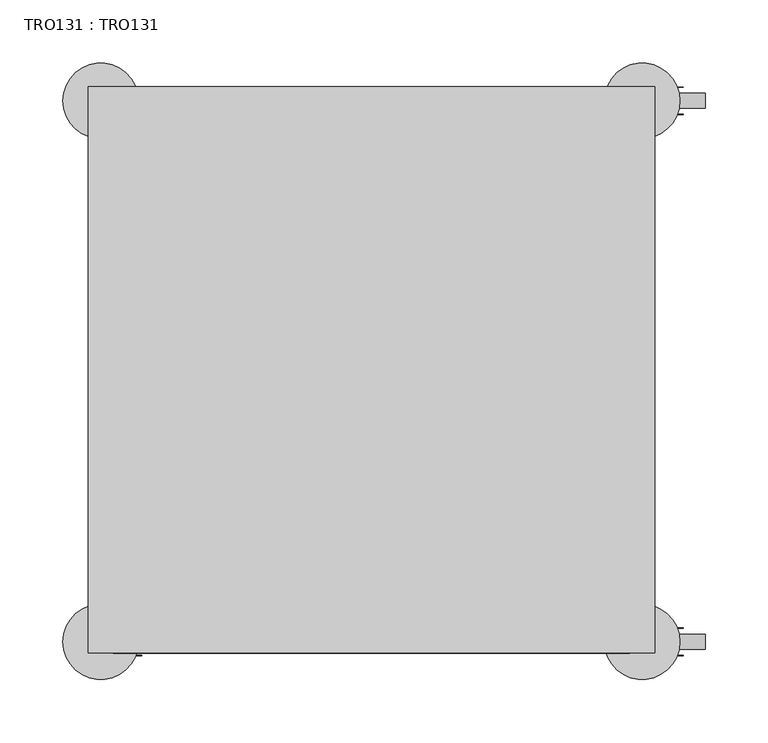
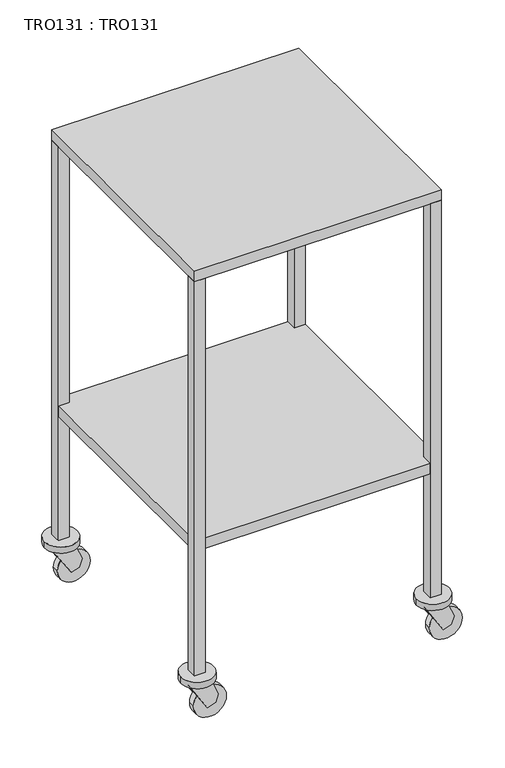
"""IFC4 building model written with IfcOpenShell, lengths in millimetres: proxy geometry, TRO131 : TRO131."""

import ifcopenshell
import ifcopenshell.guid

model = None  # the IFC model being written
_history = None  # IfcOwnerHistory: only IFC2X3 demands one
_inside = {}  # id of a spatial element -> (the spatial element, [elements in it])
_under = {}  # id of a project, library or spatial element -> (it, [spatial elements below it])
_declared = {}  # id of a project -> (the project, [libraries it declares])
_typed = {}  # id of a type object -> (the type object, [elements of that type])
_made_of = {}  # id of a material, layer set ... -> (it, [elements and type objects made of it])


def new_model(schema):
    """Start an empty IFC model of exactly this schema.

    Asked for "IFC4X3", IfcOpenShell would pick the latest addendum, in which some entities
    have other attributes; the version numbers below select the first issue.
    IFC2X3 requires an IfcOwnerHistory on every rooted entity: one is made here for all.
    """
    global model, _history
    if schema == "IFC4X3":
        model = ifcopenshell.file(schema_version=(4, 3, 0, 0))
    else:
        model = ifcopenshell.file(schema=schema)
    _inside.clear()
    _under.clear()
    _declared.clear()
    _typed.clear()
    _made_of.clear()
    _history = None
    if model.schema == "IFC2X3":
        org = make("IfcOrganization", Name="unknown")
        user = make(
            "IfcPersonAndOrganization",
            ThePerson=make("IfcPerson", FamilyName="unknown"),
            TheOrganization=org,
        )
        app = make(
            "IfcApplication",
            ApplicationDeveloper=org,
            Version="unknown",
            ApplicationFullName="unknown",
            ApplicationIdentifier="unknown",
        )
        _history = make(
            "IfcOwnerHistory",
            OwningUser=user,
            OwningApplication=app,
            ChangeAction="ADDED",
            CreationDate=0,
        )
    return model


def make(cls, **values):
    """One entity of the class cls with the attributes given. An attribute that is None is left unset."""
    return model.create_entity(
        cls, **{name: value for name, value in values.items() if value is not None}
    )


def rooted(cls, **values):
    """An entity with a GlobalId (a new one), such as an element, a storey or a relation."""
    return make(cls, GlobalId=ifcopenshell.guid.new(), OwnerHistory=_history, **values)


def si_unit(unit_type, name, prefix=None):
    """IfcSIUnit, for example si_unit("LENGTHUNIT", "METRE", prefix="MILLI")."""
    return make("IfcSIUnit", UnitType=unit_type, Prefix=prefix, Name=name)


def assignment(units):
    """IfcUnitAssignment: the units of a project."""
    return None if units is None else make("IfcUnitAssignment", Units=units)


def point(xyz):
    """IfcCartesianPoint."""
    return None if xyz is None else make("IfcCartesianPoint", Coordinates=xyz)


def direction(xyz):
    """IfcDirection."""
    return None if xyz is None else make("IfcDirection", DirectionRatios=xyz)


def frame(location, z_axis=None, x_axis=None):
    """IfcAxis2Placement3D, a coordinate frame: its origin and axes. An axis left out is left unset."""
    return make(
        "IfcAxis2Placement3D",
        Location=point(location),
        Axis=direction(z_axis),
        RefDirection=direction(x_axis),
    )


def frame_2d(location, x_axis=None):
    """IfcAxis2Placement2D, a coordinate frame in the plane: its origin and x axis."""
    return make(
        "IfcAxis2Placement2D", Location=point(location), RefDirection=direction(x_axis)
    )


def origin():
    """The frame at (0, 0, 0) with its axes left unset."""
    return frame((0.0, 0.0, 0.0))


def place(relative_to, where):
    """IfcLocalPlacement: puts the frame where relative to a parent placement (None: the world)."""
    return make(
        "IfcLocalPlacement", PlacementRelTo=relative_to, RelativePlacement=where
    )


def context(
    kind, dimensions, precision=None, world=None, true_north=None, identifier=None
):
    """IfcGeometricRepresentationContext, for example the 3D "Model" context."""
    return make(
        "IfcGeometricRepresentationContext",
        ContextIdentifier=identifier,
        ContextType=kind,
        CoordinateSpaceDimension=dimensions,
        Precision=precision,
        WorldCoordinateSystem=world,
        TrueNorth=true_north,
    )


def project(units=None, contexts=None):
    """IfcProject with its units and contexts."""
    return rooted(
        "IfcProject",
        Name="project",
        RepresentationContexts=contexts,
        UnitsInContext=assignment(units),
    )


def spatial(cls, under=None, at=None, **own):
    """A site, building, storey or space (cls), placed at a placement, below another one or the project."""
    s = rooted(cls, ObjectPlacement=at, **own)
    if under is not None:
        _under.setdefault(under.id(), (under, []))[1].append(s)
    return s


def polyline(points):
    """IfcPolyline through the points."""
    return make("IfcPolyline", Points=[point(p) for p in points])


def circle_curve(where, radius):
    """IfcCircle in the frame where."""
    return make("IfcCircle", Position=where, Radius=radius)


def trimmed(basis, trim1, trim2, sense, master):
    """IfcTrimmedCurve: the piece of a basis curve between two trims."""
    return make(
        "IfcTrimmedCurve",
        BasisCurve=basis,
        Trim1=trim1,
        Trim2=trim2,
        SenseAgreement=sense,
        MasterRepresentation=master,
    )


def segment(curve, same_sense, transition):
    """IfcCompositeCurveSegment."""
    return make(
        "IfcCompositeCurveSegment",
        Transition=transition,
        SameSense=same_sense,
        ParentCurve=curve,
    )


def composite_curve(segments, self_intersect=None):
    """IfcCompositeCurve: segments joined end to end."""
    return make("IfcCompositeCurve", Segments=segments, SelfIntersect=self_intersect)


def outline(outer, holes=None, kind="AREA"):
    """IfcArbitraryClosedProfileDef: a profile drawn as a closed curve; with holes, ...WithVoids."""
    if holes is None:
        return make("IfcArbitraryClosedProfileDef", ProfileType=kind, OuterCurve=outer)
    return make(
        "IfcArbitraryProfileDefWithVoids",
        ProfileType=kind,
        OuterCurve=outer,
        InnerCurves=holes,
    )


def extrude(swept, where, along, depth):
    """IfcExtrudedAreaSolid: the profile swept, set in the frame where, extruded along a direction by depth."""
    return make(
        "IfcExtrudedAreaSolid",
        SweptArea=swept,
        Position=where,
        ExtrudedDirection=direction(along),
        Depth=depth,
    )


def shape(context_of_items, identifier, shape_type, items):
    """IfcShapeRepresentation: the items that make up one representation, for example the "Body"."""
    return make(
        "IfcShapeRepresentation",
        ContextOfItems=context_of_items,
        RepresentationIdentifier=identifier,
        RepresentationType=shape_type,
        Items=items,
    )


def source(mapping_origin, context_of_items, identifier, shape_type, items):
    """IfcRepresentationMap: a shape defined once, which mapped items show again and again."""
    return make(
        "IfcRepresentationMap",
        MappingOrigin=mapping_origin,
        MappedRepresentation=shape(context_of_items, identifier, shape_type, items),
    )


def transform(
    local_origin,
    x_axis=None,
    y_axis=None,
    z_axis=None,
    scale=None,
    scale2=None,
    scale3=None,
    uniform=True,
):
    """IfcCartesianTransformationOperator3D, or its non-uniform kind. x_axis, y_axis, z_axis: its Axis1, 2, 3."""
    if uniform:
        return make(
            "IfcCartesianTransformationOperator3D",
            Axis1=direction(x_axis),
            Axis2=direction(y_axis),
            LocalOrigin=point(local_origin),
            Scale=scale,
            Axis3=direction(z_axis),
        )
    return make(
        "IfcCartesianTransformationOperator3DnonUniform",
        Axis1=direction(x_axis),
        Axis2=direction(y_axis),
        LocalOrigin=point(local_origin),
        Scale=scale,
        Axis3=direction(z_axis),
        Scale2=scale2,
        Scale3=scale3,
    )


def mapped(mapping_source, mapping_target):
    """IfcMappedItem: shows the shape of a source again, moved by a transform."""
    return make(
        "IfcMappedItem", MappingSource=mapping_source, MappingTarget=mapping_target
    )


def made_of(thing, what):
    """Note that an element or type object is made of a material, layer set ...; save() writes the relation."""
    if what is not None:
        _made_of.setdefault(what.id(), (what, []))[1].append(thing)
    return thing


def element(
    cls,
    number,
    at=None,
    inside=None,
    cuts=None,
    type_object=None,
    material=None,
    context=None,
    identifier="Body",
    shape_type=None,
    held_by="IfcProductDefinitionShape",
    body=None,
    shapes=None,
    **own,
):
    """One element of the class cls, such as IfcWall. Its Tag is "e" and its number.

    at: its placement. inside: the storey or other place that contains it. cuts: it is an
    opening in that element (IfcRelVoidsElement). A single representation is given by context,
    identifier, shape_type and body (its items); several are given by shapes. held_by: the class
    of the entity that holds the representations. save() writes the other relations.
    """
    e = rooted(cls, Tag="e%d" % number, ObjectPlacement=at, **own)
    if body is not None:
        shapes = [shape(context, identifier, shape_type, body)]
    if shapes is not None:
        e.Representation = make(held_by, Representations=shapes)
    if inside is not None:
        _inside.setdefault(inside.id(), (inside, []))[1].append(e)
    if cuts is not None:
        rooted(
            "IfcRelVoidsElement", RelatingBuildingElement=cuts, RelatedOpeningElement=e
        )
    if type_object is not None:
        _typed.setdefault(type_object.id(), (type_object, []))[1].append(e)
    return made_of(e, material)


def aggregate(whole, parts):
    """IfcRelAggregates: a whole, such as a stair, and the parts it consists of."""
    return rooted("IfcRelAggregates", RelatingObject=whole, RelatedObjects=parts)


def save(model, path):
    """Write the relations noted so far, then the file.

    IfcRelAggregates (storeys below a building ...), IfcRelContainedInSpatialStructure (elements
    in a storey), IfcRelDefinesByType, IfcRelAssociatesMaterial and IfcRelDeclares: one each for
    every whole, place, type object, material and project.
    """
    for whole, parts in _under.values():
        aggregate(whole, parts)
    for where, things in _inside.values():
        rooted(
            "IfcRelContainedInSpatialStructure",
            RelatedElements=things,
            RelatingStructure=where,
        )
    for kind, things in _typed.values():
        rooted("IfcRelDefinesByType", RelatedObjects=things, RelatingType=kind)
    for what, things in _made_of.values():
        rooted("IfcRelAssociatesMaterial", RelatedObjects=things, RelatingMaterial=what)
    for by, libraries in _declared.values():
        rooted("IfcRelDeclares", RelatingContext=by, RelatedDefinitions=libraries)
    model.write(path)


def tro131_tro131_ddedde76(model_context):
    return source(origin(), model_context, "Body", "SweptSolid", [
        extrude(outline(polyline([(52.5000022, -12.5000006), (-2.5000001, 22.5000002), (2.5000001, 37.4999998), (17.5000004, 42.499999), (52.5000022, 27.4999993), (52.5000022, -12.5000006)])), frame((0.0, -451.9999904, 0.0), z_axis=(0.0, 1.0, 0.0), x_axis=(0.0, 0.0, 1.0)), (0.0, 0.0, 1.0), 0.2607709),
        extrude(outline(polyline([(2.5000001, 467.4999886), (17.5000004, 472.5000104), (52.5000022, 457.5000176), (52.5000022, 417.4999882), (-2.5000001, 452.4999957), (2.5000001, 467.4999886)])), frame((0.0, -451.9999904, 0.0), z_axis=(0.0, 1.0, 0.0), x_axis=(0.0, 0.0, 1.0)), (0.0, 0.0, 1.0), 0.2607709),
        extrude(outline(polyline([(52.5000022, -12.5000006), (-2.5000001, 22.5000002), (2.5000001, 37.4999998), (17.5000004, 42.499999), (52.5000022, 27.4999993), (52.5000022, -12.5000006)])), frame((0.0, -430.2616788, 0.0), z_axis=(0.0, 1.0, 0.0), x_axis=(0.0, 0.0, 1.0)), (0.0, 0.0, 1.0), 0.2607709),
        extrude(outline(polyline([(2.5000001, 467.4999886), (17.5000004, 472.5000104), (52.5000022, 457.5000176), (52.5000022, 417.4999882), (-2.5000001, 452.4999957), (2.5000001, 467.4999886)])), frame((0.0, -430.2616788, 0.0), z_axis=(0.0, 1.0, 0.0), x_axis=(0.0, 0.0, 1.0)), (0.0, 0.0, 1.0), 0.2607709),
        extrude(outline(polyline([(52.5000022, -12.5000006), (-2.5000001, 22.5000002), (2.5000001, 37.4999998), (17.5000004, 42.499999), (52.5000022, 27.4999993), (52.5000022, -12.5000006)])), frame((0.0, -21.8954784, 0.0), z_axis=(0.0, 1.0, 0.0), x_axis=(0.0, 0.0, 1.0)), (0.0, 0.0, 1.0), 0.2607709),
        extrude(outline(polyline([(2.5000001, 467.4999886), (17.5000004, 472.5000104), (52.5000022, 457.5000176), (52.5000022, 417.4999882), (-2.5000001, 452.4999957), (2.5000001, 467.4999886)])), frame((0.0, -21.8954784, 0.0), z_axis=(0.0, 1.0, 0.0), x_axis=(0.0, 0.0, 1.0)), (0.0, 0.0, 1.0), 0.2607709),
        extrude(outline(polyline([(52.5000022, -12.5000006), (-2.5000001, 22.5000002), (2.5000001, 37.4999998), (17.5000004, 42.499999), (52.5000022, 27.4999993), (52.5000022, -12.5000006)])), frame((0.0, -0.2607709, 0.0), z_axis=(0.0, 1.0, 0.0), x_axis=(0.0, 0.0, 1.0)), (0.0, 0.0, 1.0), 0.2607709),
        extrude(outline(polyline([(2.5000001, 467.4999886), (17.5000004, 472.5000104), (52.5000022, 457.5000176), (52.5000022, 417.4999882), (-2.5000001, 452.4999957), (2.5000001, 467.4999886)])), frame((0.0, -0.2607709, 0.0), z_axis=(0.0, 1.0, 0.0), x_axis=(0.0, 0.0, 1.0)), (0.0, 0.0, 1.0), 0.2607709),
        extrude(outline(composite_curve([segment(trimmed(circle_curve(frame_2d((5.0, 30.0)), 30.0), [point((5.0, 0.0))], [point((5.0, 60.0))], False, "CARTESIAN"), True, "CONTINUOUS"), segment(trimmed(circle_curve(frame_2d((5.0, 30.0)), 30.0), [point((5.0, 60.0))], [point((5.0, 0.0))], False, "CARTESIAN"), True, "CONTINUOUS")], self_intersect=False)), frame((0.0, -447.0943374, 0.0), z_axis=(0.0, 1.0, 0.0), x_axis=(0.0, 0.0, 1.0)), (0.0, 0.0, 1.0), 12.1064652),
        extrude(outline(composite_curve([segment(trimmed(circle_curve(frame_2d((5.0, 459.9999922)), 30.0), [point((5.0, 429.9999922))], [point((5.0, 489.9999922))], False, "CARTESIAN"), True, "CONTINUOUS"), segment(trimmed(circle_curve(frame_2d((5.0, 459.9999922)), 30.0), [point((5.0, 489.9999922))], [point((5.0, 429.9999922))], False, "CARTESIAN"), True, "CONTINUOUS")], self_intersect=False)), frame((0.0, -447.0943374, 0.0), z_axis=(0.0, 1.0, 0.0), x_axis=(0.0, 0.0, 1.0)), (0.0, 0.0, 1.0), 12.1064652),
        extrude(outline(composite_curve([segment(trimmed(circle_curve(frame_2d((5.0, 30.0)), 30.0), [point((5.0, 0.0))], [point((5.0, 60.0))], False, "CARTESIAN"), True, "CONTINUOUS"), segment(trimmed(circle_curve(frame_2d((5.0, 30.0)), 30.0), [point((5.0, 60.0))], [point((5.0, 0.0))], False, "CARTESIAN"), True, "CONTINUOUS")], self_intersect=False)), frame((0.0, -16.9985238, 0.0), z_axis=(0.0, 1.0, 0.0), x_axis=(0.0, 0.0, 1.0)), (0.0, 0.0, 1.0), 11.9608724),
        extrude(outline(composite_curve([segment(trimmed(circle_curve(frame_2d((5.0, 459.9999922)), 30.0), [point((5.0, 429.9999922))], [point((5.0, 489.9999922))], False, "CARTESIAN"), True, "CONTINUOUS"), segment(trimmed(circle_curve(frame_2d((5.0, 459.9999922)), 30.0), [point((5.0, 489.9999922))], [point((5.0, 429.9999922))], False, "CARTESIAN"), True, "CONTINUOUS")], self_intersect=False)), frame((0.0, -16.9985238, 0.0), z_axis=(0.0, 1.0, 0.0), x_axis=(0.0, 0.0, 1.0)), (0.0, 0.0, 1.0), 11.9608724),
        extrude(outline(composite_curve([segment(trimmed(circle_curve(frame_2d((439.9999995, -441.0)), 30.0), [point((409.9999995, -441.0))], [point((469.9999995, -441.0))], False, "CARTESIAN"), True, "CONTINUOUS"), segment(trimmed(circle_curve(frame_2d((439.9999995, -441.0)), 30.0), [point((469.9999995, -441.0))], [point((409.9999995, -441.0))], False, "CARTESIAN"), True, "CONTINUOUS")], self_intersect=False)), frame((0.0, 0.0, 53.0), z_axis=(0.0, 0.0, 1.0), x_axis=(1.0, 0.0, 0.0)), (0.0, 0.0, 1.0), 12.0),
        extrude(outline(composite_curve([segment(trimmed(circle_curve(frame_2d((9.9999995, -441.0)), 30.0), [point((-20.0000005, -441.0))], [point((39.9999995, -441.0))], False, "CARTESIAN"), True, "CONTINUOUS"), segment(trimmed(circle_curve(frame_2d((9.9999995, -441.0)), 30.0), [point((39.9999995, -441.0))], [point((-20.0000005, -441.0))], False, "CARTESIAN"), True, "CONTINUOUS")], self_intersect=False)), frame((0.0, 0.0, 53.0), z_axis=(0.0, 0.0, 1.0), x_axis=(1.0, 0.0, 0.0)), (0.0, 0.0, 1.0), 12.0),
        extrude(outline(composite_curve([segment(trimmed(circle_curve(frame_2d((9.9999995, -11.0)), 30.0), [point((-20.0000005, -11.0))], [point((39.9999995, -11.0))], False, "CARTESIAN"), True, "CONTINUOUS"), segment(trimmed(circle_curve(frame_2d((9.9999995, -11.0)), 30.0), [point((39.9999995, -11.0))], [point((-20.0000005, -11.0))], False, "CARTESIAN"), True, "CONTINUOUS")], self_intersect=False)), frame((0.0, 0.0, 53.0), z_axis=(0.0, 0.0, 1.0), x_axis=(1.0, 0.0, 0.0)), (0.0, 0.0, 1.0), 12.0),
        extrude(outline(composite_curve([segment(trimmed(circle_curve(frame_2d((439.9999995, -11.0)), 30.0), [point((409.9999995, -11.0))], [point((469.9999995, -11.0))], False, "CARTESIAN"), True, "CONTINUOUS"), segment(trimmed(circle_curve(frame_2d((439.9999995, -11.0)), 30.0), [point((469.9999995, -11.0))], [point((409.9999995, -11.0))], False, "CARTESIAN"), True, "CONTINUOUS")], self_intersect=False)), frame((0.0, 0.0, 53.0), z_axis=(0.0, 0.0, 1.0), x_axis=(1.0, 0.0, 0.0)), (0.0, 0.0, 1.0), 12.0),
        extrude(outline(polyline([(429.9999883, 0.0), (450.000003, 0.0), (450.000003, -20.0000011), (429.9999883, -20.0000011), (429.9999883, 0.0)])), frame((0.0, 0.0, 65.0), z_axis=(0.0, 0.0, 1.0), x_axis=(1.0, 0.0, 0.0)), (0.0, 0.0, 1.0), 760.0000063),
        extrude(outline(polyline([(-5e-07, -20.0000011), (-5e-07, 0.0), (20.0000006, 0.0), (20.0000006, -20.0000011), (-5e-07, -20.0000011)])), frame((0.0, 0.0, 65.0), z_axis=(0.0, 0.0, 1.0), x_axis=(1.0, 0.0, 0.0)), (0.0, 0.0, 1.0), 760.0000063),
        extrude(outline(polyline([(-5e-07, -429.9999887), (20.0000006, -429.9999887), (20.0000006, -450.0000034), (-5e-07, -450.0000034), (-5e-07, -429.9999887)])), frame((0.0, 0.0, 65.0), z_axis=(0.0, 0.0, 1.0), x_axis=(1.0, 0.0, 0.0)), (0.0, 0.0, 1.0), 760.0000063),
        extrude(outline(polyline([(450.000003, -429.9999887), (450.000003, -450.0000034), (429.9999883, -450.0000034), (429.9999883, -429.9999887), (450.000003, -429.9999887)])), frame((0.0, 0.0, 65.0), z_axis=(0.0, 0.0, 1.0), x_axis=(1.0, 0.0, 0.0)), (0.0, 0.0, 1.0), 760.0000063),
        extrude(outline(polyline([(450.000003, -450.0000034), (-5e-07, -450.0000034), (-5e-07, 0.0), (450.000003, 0.0), (450.000003, -450.0000034)])), frame((0.0, 0.0, 825.0000063), z_axis=(0.0, 0.0, 1.0), x_axis=(1.0, 0.0, 0.0)), (0.0, 0.0, 1.0), 20.0000147),
        extrude(outline(polyline([(20.0000006, -429.9999887), (-5e-07, -429.9999887), (-5e-07, -20.0000011), (20.0000006, -20.0000011), (20.0000006, 0.0), (429.9999883, 0.0), (429.9999883, -20.0000011), (450.000003, -20.0000011), (450.000003, -429.9999887), (429.9999883, -429.9999887), (429.9999883, -450.0000034), (20.0000006, -450.0000034), (20.0000006, -429.9999887)])), frame((0.0, 0.0, 304.9999878), z_axis=(0.0, 0.0, 1.0), x_axis=(1.0, 0.0, 0.0)), (0.0, 0.0, 1.0), 20.0000147),
    ])


if __name__ == "__main__":
    model = new_model("IFC4")
    model_context = context("Model", 3, world=origin())
    ifc_project = project(units=[si_unit("LENGTHUNIT", "METRE", prefix="MILLI")], contexts=[model_context])
    site = spatial("IfcSite", under=ifc_project)
    building = spatial("IfcBuilding", under=site)
    placement = place(None, origin())
    tro131_tro131_shape = tro131_tro131_ddedde76(model_context)
    element("IfcBuildingElementProxy", 1, Name="TRO131 : TRO131", ObjectType="TRO131 : TRO131", at=placement, inside=building, context=model_context, shape_type="MappedRepresentation", body=[
        mapped(tro131_tro131_shape, transform((0.0, 0.0, 0.0), x_axis=(1.0, 0.0, 0.0), y_axis=(0.0, 1.0, 0.0), z_axis=(0.0, 0.0, 1.0))),
    ])
    save(model, "model.ifc")
